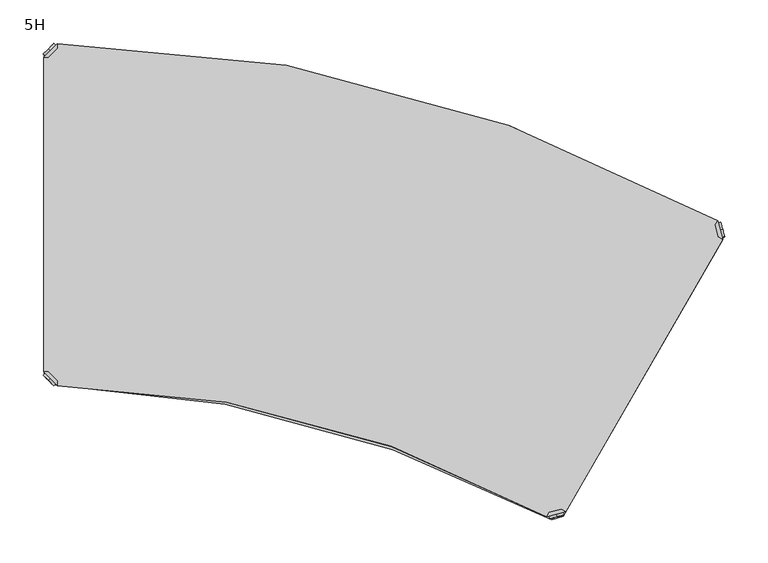
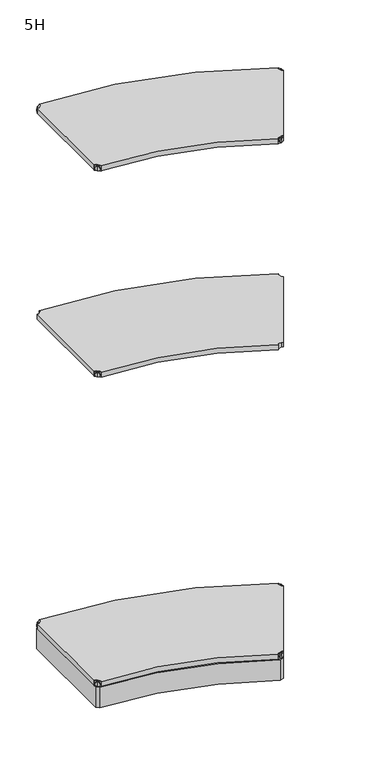
"""IFC4 building model written with IfcOpenShell, lengths in millimetres: furniture geometry, 5H."""

from ifc_helpers import new_model, si_unit, point, frame, frame_2d, origin, place, context, project, spatial, polyline, circle_curve, trimmed, segment, composite_curve, outline, extrude, source, transform, mapped, element, save
from ifc_brep_helpers import plane_surface, cylinder_surface, advanced_brep


def furniture_5h_4dead95a(model_context):
    return source(origin(), model_context, "Body", "SolidModel", [
        advanced_brep(
        [(10.9601551, -389.0398449, 1298.5), (10.9601551, -389.0398449, 1307.0), (10.9601551, -389.0398449, 1315.5), (8.8388348, -391.1611652, 1298.5), (8.8388348, -391.1611652, 1315.5), (8.8388348, -391.1611652, 1307.0)],
        [
            (0, 1),
            (1, 2),
            (2, 0, circle_curve(frame((10.9601551, -389.0398449, 1307.0), z_axis=(0.7071067811865509, 0.7071067811865441, 0.0), x_axis=(0.0, 0.0, 1.0)), 8.5)),
            (0, 2, circle_curve(frame((10.9601551, -389.0398449, 1307.0), z_axis=(0.7071067811865509, 0.7071067811865441, 0.0), x_axis=(0.0, 0.0, 1.0)), 8.5)),
            (3, 0),
            (2, 4),
            (4, 3, circle_curve(frame((8.8388348, -391.1611652, 1307.0), z_axis=(0.7071067811865509, 0.7071067811865441, 0.0), x_axis=(0.0, 0.0, 1.0)), 8.5)),
            (3, 4, circle_curve(frame((8.8388348, -391.1611652, 1307.0), z_axis=(0.7071067811865509, 0.7071067811865441, 0.0), x_axis=(0.0, 0.0, 1.0)), 8.5)),
            (5, 3),
            (4, 5),
        ],
        [
            plane_surface(frame((10.9601551, -389.0398449, 1307.0), z_axis=(0.7071067811865506, 0.7071067811865446, 0.0), x_axis=(0.0, 0.0, 1.0))),
            cylinder_surface(frame((8.8388348, -391.1611652, 1307.0), z_axis=(-0.7071067811865509, -0.7071067811865441, 0.0), x_axis=(0.0, 0.0, 1.0)), 8.5),
            plane_surface(frame((8.8388348, -391.1611652, 1307.0), z_axis=(-0.7071067811865506, -0.7071067811865446, 0.0), x_axis=(0.0, 0.0, 1.0))),
        ],
        [
            (0, [[1, 2, 3]]),
            (0, [[-2, -1, 4]]),
            (1, [[5, -3, 6, 7]]),
            (1, [[-6, -4, -5, 8]]),
            (2, [[9, -7, 10]]),
            (2, [[-10, -8, -9]]),
        ],
    ),
        advanced_brep(
        [(18.9203102, -397.0, 1317.0), (18.9203102, -391.3431458, 1317.0), (8.6568542, -381.0796898, 1317.0), (3.0, -381.0796898, 1317.0), (3.0, -381.0796898, 1298.0), (3.0, -381.0796898, 1297.0), (18.9203102, -397.0, 1297.0), (18.9203102, -397.0, 1298.0), (18.9203102, -391.3431458, 1298.0), (8.6568542, -381.0796898, 1298.0), (47.7297077, -368.1906025, 1298.0), (31.8093975, -352.2702923, 1298.0), (31.8093975, -352.2702923, 1297.0), (47.7297077, -368.1906025, 1297.0)],
        [
            (0, 1),
            (1, 2),
            (2, 3),
            (3, 0),
            (3, 4),
            (4, 5),
            (5, 6),
            (6, 7),
            (7, 0),
            (1, 8),
            (8, 9),
            (9, 2),
            (7, 8),
            (9, 4),
            (7, 10),
            (10, 11, circle_curve(frame((39.7695526, -360.2304474, 1298.0), z_axis=(0.0, 0.0, 1.0), x_axis=(1.0, 0.0, 0.0)), 11.2573593)),
            (11, 4),
            (5, 12),
            (12, 13, circle_curve(frame((39.7695526, -360.2304474, 1297.0), z_axis=(0.0, 0.0, -1.0), x_axis=(1.0, 0.0, 0.0)), 11.2573593)),
            (13, 6),
            (11, 12),
            (10, 13),
        ],
        [
            plane_surface(frame((-38.8756299, -339.2040599, 1317.0), z_axis=(0.0, 0.0, 1.0000000000000002), x_axis=(-0.7071067811865511, 0.707106781186544, 0.0))),
            plane_surface(frame((18.9203102, -397.0, 1317.0), z_axis=(-0.707106781186544, -0.7071067811865511, 0.0), x_axis=(0.0, 0.0, -1.0))),
            plane_surface(frame((8.6568542, -381.0796898, 1317.0), z_axis=(0.7071067811865527, 0.7071067811865424, 0.0), x_axis=(0.0, 0.0, -1.0))),
            plane_surface(frame((18.9203102, -391.3431458, 1317.0), z_axis=(1.0, 0.0, 0.0), x_axis=(0.0, 0.0, -1.0))),
            plane_surface(frame((3.0, -381.0796898, 1317.0), z_axis=(0.0, 1.0, 0.0), x_axis=(0.0, 0.0, -1.0))),
            plane_surface(frame((3.0, -381.0796898, 1298.0), z_axis=(0.0, 0.0, 1.0), x_axis=(-0.7071067811865439, 0.7071067811865511, 0.0))),
            plane_surface(frame((3.0, -381.0796898, 1297.0), z_axis=(0.0, 0.0, -1.0), x_axis=(0.7071067811865439, -0.7071067811865511, 0.0))),
            plane_surface(frame((3.0, -381.0796898, 1298.0), z_axis=(-0.7071067811865446, 0.7071067811865506, 0.0), x_axis=(0.0, 0.0, -1.0))),
            cylinder_surface(frame((39.7695526, -360.2304474, 1297.0), z_axis=(0.0, 0.0, 1.0), x_axis=(1.0, 0.0, 0.0)), 11.2573593),
            plane_surface(frame((47.7297077, -368.1906025, 1298.0), z_axis=(0.7071067811865435, -0.7071067811865517, 0.0), x_axis=(0.0, 0.0, -1.0))),
        ],
        [
            (0, [[1, 2, 3, 4]]),
            (1, [[5, 6, 7, 8, 9, -4]]),
            (2, [[10, 11, 12, -2]]),
            (3, [[-9, 13, -10, -1]]),
            (4, [[-12, 14, -5, -3]]),
            (5, [[-14, -11, -13, 15, 16, 17]]),
            (6, [[-7, 18, 19, 20]]),
            (7, [[21, -18, -6, -17]]),
            (8, [[22, -19, -21, -16]]),
            (9, [[-8, -20, -22, -15]]),
        ],
    ),
        extrude(outline(composite_curve([segment(polyline([(3.0, -381.0796898), (3.0, -18.9203102), (8.6568542, -18.9203102), (18.9203102, -8.6568542), (18.9203102, -3.1123896)]), True, "CONTINUOUS"), segment(trimmed(circle_curve(frame_2d((0.0, -1595.6333221)), 1592.6333221), [point((18.9203102, -3.1123896))], [point((779.8770965, -207.0107625))], False, "CARTESIAN"), True, "CONTINUOUS"), segment(polyline([(779.8770965, -207.0107625), (777.0494272, -211.9084292), (780.8066612, -225.9306171), (785.7022582, -228.7570914), (604.609961, -542.418151), (599.7022885, -539.584705), (585.6991478, -543.3368352), (582.8586275, -548.2567608)]), True, "CONTINUOUS"), segment(trimmed(circle_curve(frame_2d((0.0, -1595.6333221)), 1198.6333221), [point((582.8586275, -548.2567608))], [point((18.9203102, -397.1493369))], True, "CARTESIAN"), True, "CONTINUOUS"), segment(polyline([(18.9203102, -397.1493369), (18.9203102, -391.3431458), (8.6568542, -381.0796898), (3.0, -381.0796898)]), True, "CONTINUOUS")], self_intersect=False)), frame((0.0, 0.0, 1298.0), z_axis=(0.0, 0.0, 1.0), x_axis=(1.0, 0.0, 0.0)), (0.0, 0.0, 1.0), 19.0),
        advanced_brep(
        [(10.9601551, -10.9601551, 2098.5), (10.9601551, -10.9601551, 2115.5), (10.9601551, -10.9601551, 2107.0), (8.8388348, -8.8388348, 2098.5), (8.8388348, -8.8388348, 2115.5), (8.8388348, -8.8388348, 2107.0)],
        [
            (0, 1, circle_curve(frame((10.9601551, -10.9601551, 2107.0), z_axis=(0.7071067811865465, -0.7071067811865486, 0.0), x_axis=(0.0, 0.0, 1.0)), 8.5)),
            (1, 2),
            (2, 0),
            (1, 0, circle_curve(frame((10.9601551, -10.9601551, 2107.0), z_axis=(0.7071067811865465, -0.7071067811865486, 0.0), x_axis=(0.0, 0.0, 1.0)), 8.5)),
            (3, 4, circle_curve(frame((8.8388348, -8.8388348, 2107.0), z_axis=(0.7071067811865465, -0.7071067811865486, 0.0), x_axis=(0.0, 0.0, 1.0)), 8.5)),
            (4, 1),
            (0, 3),
            (4, 3, circle_curve(frame((8.8388348, -8.8388348, 2107.0), z_axis=(0.7071067811865465, -0.7071067811865486, 0.0), x_axis=(0.0, 0.0, 1.0)), 8.5)),
            (5, 4),
            (3, 5),
        ],
        [
            plane_surface(frame((10.9601551, -10.9601551, 2107.0), z_axis=(0.7071067811865461, -0.707106781186549, 0.0), x_axis=(0.0, 0.0, 1.0))),
            cylinder_surface(frame((8.8388348, -8.8388348, 2107.0), z_axis=(-0.7071067811865465, 0.7071067811865486, 0.0), x_axis=(0.0, 0.0, 1.0)), 8.5),
            plane_surface(frame((8.8388348, -8.8388348, 2107.0), z_axis=(-0.7071067811865461, 0.707106781186549, 0.0), x_axis=(0.0, 0.0, 1.0))),
        ],
        [
            (0, [[1, 2, 3]]),
            (0, [[4, -3, -2]]),
            (1, [[5, 6, -1, 7]]),
            (1, [[8, -7, -4, -6]]),
            (2, [[9, -5, 10]]),
            (2, [[-10, -8, -9]]),
        ],
    ),
        advanced_brep(
        [(18.9203102, -3.0, 2117.0), (3.0, -18.9203102, 2117.0), (8.6568542, -18.9203102, 2117.0), (18.9203102, -8.6568542, 2117.0), (18.9203102, -3.0, 2098.0), (18.9203102, -3.0, 2097.0), (3.0, -18.9203102, 2097.0), (3.0, -18.9203102, 2098.0), (8.6568542, -18.9203102, 2098.0), (18.9203102, -8.6568542, 2098.0), (31.8093975, -47.7297077, 2098.0), (47.7297077, -31.8093975, 2098.0), (47.7297077, -31.8093975, 2097.0), (31.8093975, -47.7297077, 2097.0)],
        [
            (0, 1),
            (1, 2),
            (2, 3),
            (3, 0),
            (0, 4),
            (4, 5),
            (5, 6),
            (6, 7),
            (7, 1),
            (2, 8),
            (8, 9),
            (9, 3),
            (9, 4),
            (7, 8),
            (7, 10),
            (10, 11, circle_curve(frame((39.7695526, -39.7695526, 2098.0), z_axis=(0.0, 0.0, 1.0), x_axis=(1.0, 0.0, 0.0)), 11.2573593)),
            (11, 4),
            (5, 12),
            (12, 13, circle_curve(frame((39.7695526, -39.7695526, 2097.0), z_axis=(0.0, 0.0, -1.0), x_axis=(1.0, 0.0, 0.0)), 11.2573593)),
            (13, 6),
            (13, 10),
            (12, 11),
        ],
        [
            plane_surface(frame((-38.8756299, -60.7959401, 2117.0), z_axis=(0.0, 0.0, 1.0), x_axis=(-0.7071067811865556, -0.7071067811865396, 0.0))),
            plane_surface(frame((18.9203102, -3.0, 2117.0), z_axis=(-0.7071067811865396, 0.7071067811865556, 0.0), x_axis=(0.0, 0.0, -1.0))),
            plane_surface(frame((8.6568542, -18.9203102, 2117.0), z_axis=(0.7071067811865482, -0.7071067811865468, 0.0), x_axis=(0.0, 0.0, -1.0))),
            plane_surface(frame((18.9203102, -8.6568542, 2117.0), z_axis=(1.0, 0.0, 0.0), x_axis=(0.0, 0.0, -1.0))),
            plane_surface(frame((3.0, -18.9203102, 2117.0), z_axis=(0.0, -1.0, 0.0), x_axis=(0.0, 0.0, -1.0))),
            plane_surface(frame((3.0, -18.9203102, 2098.0), z_axis=(0.0, 0.0, 1.0), x_axis=(-0.7071067811865483, -0.7071067811865467, 0.0))),
            plane_surface(frame((3.0, -18.9203102, 2097.0), z_axis=(0.0, 0.0, -1.0), x_axis=(0.7071067811865483, 0.7071067811865467, 0.0))),
            plane_surface(frame((3.0, -18.9203102, 2098.0), z_axis=(-0.707106781186549, -0.7071067811865461, 0.0), x_axis=(0.0, 0.0, -1.0))),
            cylinder_surface(frame((39.7695526, -39.7695526, 2097.0), z_axis=(0.0, 0.0, 1.0), x_axis=(1.0, 0.0, 0.0)), 11.2573593),
            plane_surface(frame((47.7297077, -31.8093975, 2098.0), z_axis=(0.7071067811865479, 0.7071067811865472, 0.0), x_axis=(0.0, 0.0, -1.0))),
        ],
        [
            (0, [[1, 2, 3, 4]]),
            (1, [[-1, 5, 6, 7, 8, 9]]),
            (2, [[-3, 10, 11, 12]]),
            (3, [[-4, -12, 13, -5]]),
            (4, [[-2, -9, 14, -10]]),
            (5, [[15, 16, 17, -13, -11, -14]]),
            (6, [[18, 19, 20, -7]]),
            (7, [[-15, -8, -20, 21]]),
            (8, [[-16, -21, -19, 22]]),
            (9, [[-17, -22, -18, -6]]),
        ],
    ),
        advanced_brep(
        [(782.7920217, -217.8852702, 2098.5), (782.7920217, -217.8852702, 2107.0), (782.7920217, -217.8852702, 2115.5), (785.6897991, -217.108813, 2098.5), (785.6897991, -217.108813, 2115.5), (785.6897991, -217.108813, 2107.0)],
        [
            (0, 1),
            (1, 2),
            (2, 0, circle_curve(frame((782.7920217, -217.8852702, 2107.0), z_axis=(-0.9659258262890685, -0.25881904510252, 0.0), x_axis=(0.0, 0.0, 1.0)), 8.5)),
            (0, 2, circle_curve(frame((782.7920217, -217.8852702, 2107.0), z_axis=(-0.9659258262890685, -0.25881904510252, 0.0), x_axis=(0.0, 0.0, 1.0)), 8.5)),
            (3, 0),
            (2, 4),
            (4, 3, circle_curve(frame((785.6897991, -217.108813, 2107.0), z_axis=(-0.9659258262890685, -0.25881904510252, 0.0), x_axis=(0.0, 0.0, 1.0)), 8.5)),
            (3, 4, circle_curve(frame((785.6897991, -217.108813, 2107.0), z_axis=(-0.9659258262890685, -0.25881904510252, 0.0), x_axis=(0.0, 0.0, 1.0)), 8.5)),
            (5, 3),
            (4, 5),
        ],
        [
            plane_surface(frame((782.7920217, -217.8852702, 2107.0), z_axis=(-0.9659258262890684, -0.25881904510252063, 0.0), x_axis=(0.0, 0.0, 1.0))),
            cylinder_surface(frame((785.6897991, -217.108813, 2107.0), z_axis=(0.9659258262890685, 0.25881904510252, 0.0), x_axis=(0.0, 0.0, 1.0)), 8.5),
            plane_surface(frame((785.6897991, -217.108813, 2107.0), z_axis=(0.9659258262890684, 0.25881904510252063, 0.0), x_axis=(0.0, 0.0, 1.0))),
        ],
        [
            (0, [[1, 2, 3]]),
            (0, [[-2, -1, 4]]),
            (1, [[5, -3, 6, 7]]),
            (1, [[-6, -4, -5, 8]]),
            (2, [[9, -7, 10]]),
            (2, [[-10, -8, -9]]),
        ],
    ),
        advanced_brep(
        [(779.8784027, -207.0114961, 2117.0), (777.0499756, -211.9104756, 2117.0), (780.8066612, -225.9306171, 2117.0), (785.7056407, -228.7590443, 2117.0), (785.7056407, -228.7590443, 2098.0), (785.7056407, -228.7590443, 2097.0), (779.8784027, -207.0114961, 2097.0), (779.8784027, -207.0114961, 2098.0), (777.0499756, -211.9104756, 2098.0), (780.8066612, -225.9306171, 2098.0), (740.5240338, -217.5564674, 2098.0), (746.3512718, -239.3040156, 2098.0), (746.3512718, -239.3040156, 2097.0), (740.5240338, -217.5564674, 2097.0)],
        [
            (0, 1),
            (1, 2),
            (2, 3),
            (3, 0),
            (3, 4),
            (4, 5),
            (5, 6),
            (6, 7),
            (7, 0),
            (1, 8),
            (8, 9),
            (9, 2),
            (7, 8),
            (9, 4),
            (7, 10),
            (10, 11, circle_curve(frame((743.4376528, -228.4302415, 2098.0), z_axis=(0.0, 0.0, 1.0), x_axis=(-0.8660254037844375, 0.5000000000000021, 0.0)), 11.2573593)),
            (11, 4),
            (5, 12),
            (12, 13, circle_curve(frame((743.4376528, -228.4302415, 2097.0), z_axis=(0.0, 0.0, -1.0), x_axis=(-0.8660254037844375, 0.5000000000000021, 0.0)), 11.2573593)),
            (13, 6),
            (11, 12),
            (10, 13),
        ],
        [
            plane_surface(frame((801.033185, -285.9622185, 2117.0), z_axis=(0.0, 0.0, 1.0), x_axis=(0.25881904510252957, -0.965925826289066, 0.0))),
            plane_surface(frame((779.8784027, -207.0114961, 2117.0), z_axis=(0.965925826289066, 0.25881904510252957, 0.0), x_axis=(0.0, 0.0, -1.0))),
            plane_surface(frame((780.8066612, -225.9306171, 2117.0), z_axis=(-0.9659258262890692, -0.2588190451025176, 0.0), x_axis=(0.0, 0.0, -1.0))),
            plane_surface(frame((777.0499756, -211.9104756, 2117.0), z_axis=(-0.866025403784462, 0.4999999999999597, 0.0), x_axis=(0.0, 0.0, -1.0))),
            plane_surface(frame((785.7056407, -228.7590443, 2117.0), z_axis=(-0.4999999999999963, -0.8660254037844408, 0.0), x_axis=(0.0, 0.0, -1.0))),
            plane_surface(frame((785.7056407, -228.7590443, 2098.0), z_axis=(0.0, 0.0, 1.0), x_axis=(0.2588190451025197, -0.9659258262890686, 0.0))),
            plane_surface(frame((785.7056407, -228.7590443, 2097.0), z_axis=(0.0, 0.0, -1.0), x_axis=(-0.2588190451025197, 0.9659258262890686, 0.0))),
            plane_surface(frame((785.7056407, -228.7590443, 2098.0), z_axis=(0.25881904510252063, -0.9659258262890684, 0.0), x_axis=(0.0, 0.0, -1.0))),
            cylinder_surface(frame((743.4376528, -228.4302415, 2097.0), z_axis=(0.0, 0.0, 1.0), x_axis=(-0.8660254037844375, 0.5000000000000021, 0.0)), 11.2573593),
            plane_surface(frame((740.5240338, -217.5564674, 2098.0), z_axis=(-0.2588190451025191, 0.9659258262890689, 0.0), x_axis=(0.0, 0.0, -1.0))),
        ],
        [
            (0, [[1, 2, 3, 4]]),
            (1, [[5, 6, 7, 8, 9, -4]]),
            (2, [[10, 11, 12, -2]]),
            (3, [[-9, 13, -10, -1]]),
            (4, [[-12, 14, -5, -3]]),
            (5, [[-14, -11, -13, 15, 16, 17]]),
            (6, [[-7, 18, 19, 20]]),
            (7, [[21, -18, -6, -17]]),
            (8, [[22, -19, -21, -16]]),
            (9, [[-8, -20, -22, -15]]),
        ],
    ),
        advanced_brep(
        [(593.7274939, -545.3267511, 2098.5), (593.7274939, -545.3267511, 2115.5), (593.7274939, -545.3267511, 2107.0), (594.503951, -548.2245285, 2098.5), (594.503951, -548.2245285, 2115.5), (594.503951, -548.2245285, 2107.0)],
        [
            (0, 1, circle_curve(frame((593.7274939, -545.3267511, 2107.0), z_axis=(-0.25881904510252524, 0.9659258262890672, 0.0), x_axis=(0.0, 0.0, 1.0)), 8.5)),
            (1, 2),
            (2, 0),
            (1, 0, circle_curve(frame((593.7274939, -545.3267511, 2107.0), z_axis=(-0.25881904510252524, 0.9659258262890672, 0.0), x_axis=(0.0, 0.0, 1.0)), 8.5)),
            (3, 4, circle_curve(frame((594.503951, -548.2245285, 2107.0), z_axis=(-0.25881904510252524, 0.9659258262890672, 0.0), x_axis=(0.0, 0.0, 1.0)), 8.5)),
            (4, 1),
            (0, 3),
            (4, 3, circle_curve(frame((594.503951, -548.2245285, 2107.0), z_axis=(-0.25881904510252524, 0.9659258262890672, 0.0), x_axis=(0.0, 0.0, 1.0)), 8.5)),
            (5, 4),
            (3, 5),
        ],
        [
            plane_surface(frame((593.7274939, -545.3267511, 2107.0), z_axis=(-0.2588190451025247, 0.9659258262890673, 0.0), x_axis=(0.0, 0.0, 1.0))),
            cylinder_surface(frame((594.503951, -548.2245285, 2107.0), z_axis=(0.25881904510252524, -0.9659258262890672, 0.0), x_axis=(0.0, 0.0, 1.0)), 8.5),
            plane_surface(frame((594.503951, -548.2245285, 2107.0), z_axis=(0.2588190451025247, -0.9659258262890673, 0.0), x_axis=(0.0, 0.0, 1.0))),
        ],
        [
            (0, [[1, 2, 3]]),
            (0, [[4, -3, -2]]),
            (1, [[5, 6, -1, 7]]),
            (1, [[8, -7, -4, -6]]),
            (2, [[9, -5, 10]]),
            (2, [[-10, -8, -9]]),
        ],
    ),
        advanced_brep(
        [(582.8537198, -548.2403701, 2117.0), (604.601268, -542.4131321, 2117.0), (599.7022885, -539.584705, 2117.0), (585.6821469, -543.3413906, 2117.0), (582.8537198, -548.2403701, 2098.0), (582.8537198, -548.2403701, 2097.0), (604.601268, -542.4131321, 2097.0), (604.601268, -542.4131321, 2098.0), (599.7022885, -539.584705, 2098.0), (585.6821469, -543.3413906, 2098.0), (594.0562966, -503.0587632, 2098.0), (572.3087484, -508.8860012, 2098.0), (572.3087484, -508.8860012, 2097.0), (594.0562966, -503.0587632, 2097.0)],
        [
            (0, 1),
            (1, 2),
            (2, 3),
            (3, 0),
            (0, 4),
            (4, 5),
            (5, 6),
            (6, 7),
            (7, 1),
            (2, 8),
            (8, 9),
            (9, 3),
            (9, 4),
            (7, 8),
            (7, 10),
            (10, 11, circle_curve(frame((583.1825225, -505.9723822, 2098.0), z_axis=(0.0, 0.0, 1.0), x_axis=(-0.8660254037844418, 0.49999999999999467, 0.0)), 11.2573593)),
            (11, 4),
            (5, 12),
            (12, 13, circle_curve(frame((583.1825225, -505.9723822, 2097.0), z_axis=(0.0, 0.0, -1.0), x_axis=(-0.8660254037844418, 0.49999999999999467, 0.0)), 11.2573593)),
            (13, 6),
            (13, 10),
            (12, 11),
        ],
        [
            plane_surface(frame((661.8044422, -527.0855877, 2117.0), z_axis=(0.0, 0.0, 1.0000000000000002), x_axis=(0.9659258262890698, 0.25881904510251574, 0.0))),
            plane_surface(frame((582.8537198, -548.2403701, 2117.0), z_axis=(0.25881904510251574, -0.9659258262890698, 0.0), x_axis=(0.0, 0.0, -1.0))),
            plane_surface(frame((599.7022885, -539.584705, 2117.0), z_axis=(-0.25881904510252757, 0.9659258262890665, 0.0), x_axis=(0.0, 0.0, -1.0))),
            plane_surface(frame((585.6821469, -543.3413906, 2117.0), z_axis=(-0.8660254037844173, 0.5000000000000371, 0.0), x_axis=(0.0, 0.0, -1.0))),
            plane_surface(frame((604.601268, -542.4131321, 2117.0), z_axis=(0.5000000000000004, 0.8660254037844385, 0.0), x_axis=(0.0, 0.0, -1.0))),
            plane_surface(frame((604.601268, -542.4131321, 2098.0), z_axis=(0.0, 0.0, 1.0), x_axis=(0.9659258262890671, 0.25881904510252546, 0.0))),
            plane_surface(frame((604.601268, -542.4131321, 2097.0), z_axis=(0.0, 0.0, -1.0), x_axis=(-0.9659258262890671, -0.25881904510252546, 0.0))),
            plane_surface(frame((604.601268, -542.4131321, 2098.0), z_axis=(0.9659258262890673, 0.2588190451025247, 0.0), x_axis=(0.0, 0.0, -1.0))),
            cylinder_surface(frame((583.1825225, -505.9723822, 2097.0), z_axis=(0.0, 0.0, 1.0), x_axis=(-0.8660254037844418, 0.49999999999999467, 0.0)), 11.2573593),
            plane_surface(frame((572.3087484, -508.8860012, 2098.0), z_axis=(-0.9659258262890669, -0.2588190451025262, 0.0), x_axis=(0.0, 0.0, -1.0))),
        ],
        [
            (0, [[1, 2, 3, 4]]),
            (1, [[-1, 5, 6, 7, 8, 9]]),
            (2, [[-3, 10, 11, 12]]),
            (3, [[-4, -12, 13, -5]]),
            (4, [[-2, -9, 14, -10]]),
            (5, [[15, 16, 17, -13, -11, -14]]),
            (6, [[18, 19, 20, -7]]),
            (7, [[-15, -8, -20, 21]]),
            (8, [[-16, -21, -19, 22]]),
            (9, [[-17, -22, -18, -6]]),
        ],
    ),
        advanced_brep(
        [(10.9601551, -389.0398449, 2098.5), (10.9601551, -389.0398449, 2107.0), (10.9601551, -389.0398449, 2115.5), (8.8388348, -391.1611652, 2098.5), (8.8388348, -391.1611652, 2115.5), (8.8388348, -391.1611652, 2107.0)],
        [
            (0, 1),
            (1, 2),
            (2, 0, circle_curve(frame((10.9601551, -389.0398449, 2107.0), z_axis=(0.7071067811865509, 0.7071067811865441, 0.0), x_axis=(0.0, 0.0, 1.0)), 8.5)),
            (0, 2, circle_curve(frame((10.9601551, -389.0398449, 2107.0), z_axis=(0.7071067811865509, 0.7071067811865441, 0.0), x_axis=(0.0, 0.0, 1.0)), 8.5)),
            (3, 0),
            (2, 4),
            (4, 3, circle_curve(frame((8.8388348, -391.1611652, 2107.0), z_axis=(0.7071067811865509, 0.7071067811865441, 0.0), x_axis=(0.0, 0.0, 1.0)), 8.5)),
            (3, 4, circle_curve(frame((8.8388348, -391.1611652, 2107.0), z_axis=(0.7071067811865509, 0.7071067811865441, 0.0), x_axis=(0.0, 0.0, 1.0)), 8.5)),
            (5, 3),
            (4, 5),
        ],
        [
            plane_surface(frame((10.9601551, -389.0398449, 2107.0), z_axis=(0.7071067811865506, 0.7071067811865446, 0.0), x_axis=(0.0, 0.0, 1.0))),
            cylinder_surface(frame((8.8388348, -391.1611652, 2107.0), z_axis=(-0.7071067811865509, -0.7071067811865441, 0.0), x_axis=(0.0, 0.0, 1.0)), 8.5),
            plane_surface(frame((8.8388348, -391.1611652, 2107.0), z_axis=(-0.7071067811865506, -0.7071067811865446, 0.0), x_axis=(0.0, 0.0, 1.0))),
        ],
        [
            (0, [[1, 2, 3]]),
            (0, [[-2, -1, 4]]),
            (1, [[5, -3, 6, 7]]),
            (1, [[-6, -4, -5, 8]]),
            (2, [[9, -7, 10]]),
            (2, [[-10, -8, -9]]),
        ],
    ),
        advanced_brep(
        [(18.9203102, -397.0, 2117.0), (18.9203102, -391.3431458, 2117.0), (8.6568542, -381.0796898, 2117.0), (3.0, -381.0796898, 2117.0), (3.0, -381.0796898, 2098.0), (3.0, -381.0796898, 2097.0), (18.9203102, -397.0, 2097.0), (18.9203102, -397.0, 2098.0), (18.9203102, -391.3431458, 2098.0), (8.6568542, -381.0796898, 2098.0), (47.7297077, -368.1906025, 2098.0), (31.8093975, -352.2702923, 2098.0), (31.8093975, -352.2702923, 2097.0), (47.7297077, -368.1906025, 2097.0)],
        [
            (0, 1),
            (1, 2),
            (2, 3),
            (3, 0),
            (3, 4),
            (4, 5),
            (5, 6),
            (6, 7),
            (7, 0),
            (1, 8),
            (8, 9),
            (9, 2),
            (7, 8),
            (9, 4),
            (7, 10),
            (10, 11, circle_curve(frame((39.7695526, -360.2304474, 2098.0), z_axis=(0.0, 0.0, 1.0), x_axis=(1.0, 0.0, 0.0)), 11.2573593)),
            (11, 4),
            (5, 12),
            (12, 13, circle_curve(frame((39.7695526, -360.2304474, 2097.0), z_axis=(0.0, 0.0, -1.0), x_axis=(1.0, 0.0, 0.0)), 11.2573593)),
            (13, 6),
            (11, 12),
            (10, 13),
        ],
        [
            plane_surface(frame((-38.8756299, -339.2040599, 2117.0), z_axis=(0.0, 0.0, 1.0000000000000002), x_axis=(-0.7071067811865511, 0.707106781186544, 0.0))),
            plane_surface(frame((18.9203102, -397.0, 2117.0), z_axis=(-0.707106781186544, -0.7071067811865511, 0.0), x_axis=(0.0, 0.0, -1.0))),
            plane_surface(frame((8.6568542, -381.0796898, 2117.0), z_axis=(0.7071067811865527, 0.7071067811865424, 0.0), x_axis=(0.0, 0.0, -1.0))),
            plane_surface(frame((18.9203102, -391.3431458, 2117.0), z_axis=(1.0, 0.0, 0.0), x_axis=(0.0, 0.0, -1.0))),
            plane_surface(frame((3.0, -381.0796898, 2117.0), z_axis=(0.0, 1.0, 0.0), x_axis=(0.0, 0.0, -1.0))),
            plane_surface(frame((3.0, -381.0796898, 2098.0), z_axis=(0.0, 0.0, 1.0), x_axis=(-0.7071067811865439, 0.7071067811865511, 0.0))),
            plane_surface(frame((3.0, -381.0796898, 2097.0), z_axis=(0.0, 0.0, -1.0), x_axis=(0.7071067811865439, -0.7071067811865511, 0.0))),
            plane_surface(frame((3.0, -381.0796898, 2098.0), z_axis=(-0.7071067811865446, 0.7071067811865506, 0.0), x_axis=(0.0, 0.0, -1.0))),
            cylinder_surface(frame((39.7695526, -360.2304474, 2097.0), z_axis=(0.0, 0.0, 1.0), x_axis=(1.0, 0.0, 0.0)), 11.2573593),
            plane_surface(frame((47.7297077, -368.1906025, 2098.0), z_axis=(0.7071067811865435, -0.7071067811865517, 0.0), x_axis=(0.0, 0.0, -1.0))),
        ],
        [
            (0, [[1, 2, 3, 4]]),
            (1, [[5, 6, 7, 8, 9, -4]]),
            (2, [[10, 11, 12, -2]]),
            (3, [[-9, 13, -10, -1]]),
            (4, [[-12, 14, -5, -3]]),
            (5, [[-14, -11, -13, 15, 16, 17]]),
            (6, [[-7, 18, 19, 20]]),
            (7, [[21, -18, -6, -17]]),
            (8, [[22, -19, -21, -16]]),
            (9, [[-8, -20, -22, -15]]),
        ],
    ),
        extrude(outline(composite_curve([segment(polyline([(3.0, -381.0796898), (3.0, -18.9203102), (8.6568542, -18.9203102), (18.9203102, -8.6568542), (18.9203102, -3.1123896)]), True, "CONTINUOUS"), segment(trimmed(circle_curve(frame_2d((0.0, -1595.6333221)), 1592.6333221), [point((18.9203102, -3.1123896))], [point((779.8770965, -207.0107625))], False, "CARTESIAN"), True, "CONTINUOUS"), segment(polyline([(779.8770965, -207.0107625), (777.0494272, -211.9084292), (780.8066612, -225.9306171), (785.7022582, -228.7570914), (604.609961, -542.418151), (599.7022885, -539.584705), (585.6991478, -543.3368352), (582.8586275, -548.2567608)]), True, "CONTINUOUS"), segment(trimmed(circle_curve(frame_2d((0.0, -1595.6333221)), 1198.6333221), [point((582.8586275, -548.2567608))], [point((18.9203102, -397.1493369))], True, "CARTESIAN"), True, "CONTINUOUS"), segment(polyline([(18.9203102, -397.1493369), (18.9203102, -391.3431458), (8.6568542, -381.0796898), (3.0, -381.0796898)]), True, "CONTINUOUS")], self_intersect=False)), frame((0.0, 0.0, 2098.0), z_axis=(0.0, 0.0, 1.0), x_axis=(1.0, 0.0, 0.0)), (0.0, 0.0, 1.0), 19.0),
        advanced_brep(
        [(10.9601551, -10.9601551, 98.5), (10.9601551, -10.9601551, 115.5), (10.9601551, -10.9601551, 107.0), (8.8388348, -8.8388348, 98.5), (8.8388348, -8.8388348, 115.5), (8.8388348, -8.8388348, 107.0)],
        [
            (0, 1, circle_curve(frame((10.9601551, -10.9601551, 107.0), z_axis=(0.7071067811865465, -0.7071067811865486, 0.0), x_axis=(0.0, 0.0, 1.0)), 8.5)),
            (1, 2),
            (2, 0),
            (1, 0, circle_curve(frame((10.9601551, -10.9601551, 107.0), z_axis=(0.7071067811865465, -0.7071067811865486, 0.0), x_axis=(0.0, 0.0, 1.0)), 8.5)),
            (3, 4, circle_curve(frame((8.8388348, -8.8388348, 107.0), z_axis=(0.7071067811865465, -0.7071067811865486, 0.0), x_axis=(0.0, 0.0, 1.0)), 8.5)),
            (4, 1),
            (0, 3),
            (4, 3, circle_curve(frame((8.8388348, -8.8388348, 107.0), z_axis=(0.7071067811865465, -0.7071067811865486, 0.0), x_axis=(0.0, 0.0, 1.0)), 8.5)),
            (5, 4),
            (3, 5),
        ],
        [
            plane_surface(frame((10.9601551, -10.9601551, 107.0), z_axis=(0.7071067811865461, -0.707106781186549, 0.0), x_axis=(0.0, 0.0, 1.0))),
            cylinder_surface(frame((8.8388348, -8.8388348, 107.0), z_axis=(-0.7071067811865465, 0.7071067811865486, 0.0), x_axis=(0.0, 0.0, 1.0)), 8.5),
            plane_surface(frame((8.8388348, -8.8388348, 107.0), z_axis=(-0.7071067811865461, 0.707106781186549, 0.0), x_axis=(0.0, 0.0, 1.0))),
        ],
        [
            (0, [[1, 2, 3]]),
            (0, [[4, -3, -2]]),
            (1, [[5, 6, -1, 7]]),
            (1, [[8, -7, -4, -6]]),
            (2, [[9, -5, 10]]),
            (2, [[-10, -8, -9]]),
        ],
    ),
        advanced_brep(
        [(18.9203102, -3.0, 117.0), (3.0, -18.9203102, 117.0), (8.6568542, -18.9203102, 117.0), (18.9203102, -8.6568542, 117.0), (18.9203102, -3.0, 98.0), (18.9203102, -3.0, 97.0), (3.0, -18.9203102, 97.0), (3.0, -18.9203102, 98.0), (8.6568542, -18.9203102, 98.0), (18.9203102, -8.6568542, 98.0), (31.8093975, -47.7297077, 98.0), (47.7297077, -31.8093975, 98.0), (47.7297077, -31.8093975, 97.0), (31.8093975, -47.7297077, 97.0)],
        [
            (0, 1),
            (1, 2),
            (2, 3),
            (3, 0),
            (0, 4),
            (4, 5),
            (5, 6),
            (6, 7),
            (7, 1),
            (2, 8),
            (8, 9),
            (9, 3),
            (9, 4),
            (7, 8),
            (7, 10),
            (10, 11, circle_curve(frame((39.7695526, -39.7695526, 98.0), z_axis=(0.0, 0.0, 1.0), x_axis=(1.0, 0.0, 0.0)), 11.2573593)),
            (11, 4),
            (5, 12),
            (12, 13, circle_curve(frame((39.7695526, -39.7695526, 97.0), z_axis=(0.0, 0.0, -1.0), x_axis=(1.0, 0.0, 0.0)), 11.2573593)),
            (13, 6),
            (13, 10),
            (12, 11),
        ],
        [
            plane_surface(frame((-38.8756299, -60.7959401, 117.0), z_axis=(0.0, 0.0, 1.0), x_axis=(-0.7071067811865556, -0.7071067811865396, 0.0))),
            plane_surface(frame((18.9203102, -3.0, 117.0), z_axis=(-0.7071067811865396, 0.7071067811865556, 0.0), x_axis=(0.0, 0.0, -1.0))),
            plane_surface(frame((8.6568542, -18.9203102, 117.0), z_axis=(0.7071067811865482, -0.7071067811865468, 0.0), x_axis=(0.0, 0.0, -1.0))),
            plane_surface(frame((18.9203102, -8.6568542, 117.0), z_axis=(1.0, 0.0, 0.0), x_axis=(0.0, 0.0, -1.0))),
            plane_surface(frame((3.0, -18.9203102, 117.0), z_axis=(0.0, -1.0, 0.0), x_axis=(0.0, 0.0, -1.0))),
            plane_surface(frame((3.0, -18.9203102, 98.0), z_axis=(0.0, 0.0, 1.0), x_axis=(-0.7071067811865483, -0.7071067811865467, 0.0))),
            plane_surface(frame((3.0, -18.9203102, 97.0), z_axis=(0.0, 0.0, -1.0), x_axis=(0.7071067811865483, 0.7071067811865467, 0.0))),
            plane_surface(frame((3.0, -18.9203102, 98.0), z_axis=(-0.707106781186549, -0.7071067811865461, 0.0), x_axis=(0.0, 0.0, -1.0))),
            cylinder_surface(frame((39.7695526, -39.7695526, 97.0), z_axis=(0.0, 0.0, 1.0), x_axis=(1.0, 0.0, 0.0)), 11.2573593),
            plane_surface(frame((47.7297077, -31.8093975, 98.0), z_axis=(0.7071067811865479, 0.7071067811865472, 0.0), x_axis=(0.0, 0.0, -1.0))),
        ],
        [
            (0, [[1, 2, 3, 4]]),
            (1, [[-1, 5, 6, 7, 8, 9]]),
            (2, [[-3, 10, 11, 12]]),
            (3, [[-4, -12, 13, -5]]),
            (4, [[-2, -9, 14, -10]]),
            (5, [[15, 16, 17, -13, -11, -14]]),
            (6, [[18, 19, 20, -7]]),
            (7, [[-15, -8, -20, 21]]),
            (8, [[-16, -21, -19, 22]]),
            (9, [[-17, -22, -18, -6]]),
        ],
    ),
        advanced_brep(
        [(782.7920217, -217.8852702, 98.5), (782.7920217, -217.8852702, 107.0), (782.7920217, -217.8852702, 115.5), (785.6897991, -217.108813, 98.5), (785.6897991, -217.108813, 115.5), (785.6897991, -217.108813, 107.0)],
        [
            (0, 1),
            (1, 2),
            (2, 0, circle_curve(frame((782.7920217, -217.8852702, 107.0), z_axis=(-0.9659258262890685, -0.25881904510252, 0.0), x_axis=(0.0, 0.0, 1.0)), 8.5)),
            (0, 2, circle_curve(frame((782.7920217, -217.8852702, 107.0), z_axis=(-0.9659258262890685, -0.25881904510252, 0.0), x_axis=(0.0, 0.0, 1.0)), 8.5)),
            (3, 0),
            (2, 4),
            (4, 3, circle_curve(frame((785.6897991, -217.108813, 107.0), z_axis=(-0.9659258262890685, -0.25881904510252, 0.0), x_axis=(0.0, 0.0, 1.0)), 8.5)),
            (3, 4, circle_curve(frame((785.6897991, -217.108813, 107.0), z_axis=(-0.9659258262890685, -0.25881904510252, 0.0), x_axis=(0.0, 0.0, 1.0)), 8.5)),
            (5, 3),
            (4, 5),
        ],
        [
            plane_surface(frame((782.7920217, -217.8852702, 107.0), z_axis=(-0.9659258262890684, -0.25881904510252063, 0.0), x_axis=(0.0, 0.0, 1.0))),
            cylinder_surface(frame((785.6897991, -217.108813, 107.0), z_axis=(0.9659258262890685, 0.25881904510252, 0.0), x_axis=(0.0, 0.0, 1.0)), 8.5),
            plane_surface(frame((785.6897991, -217.108813, 107.0), z_axis=(0.9659258262890684, 0.25881904510252063, 0.0), x_axis=(0.0, 0.0, 1.0))),
        ],
        [
            (0, [[1, 2, 3]]),
            (0, [[-2, -1, 4]]),
            (1, [[5, -3, 6, 7]]),
            (1, [[-6, -4, -5, 8]]),
            (2, [[9, -7, 10]]),
            (2, [[-10, -8, -9]]),
        ],
    ),
        advanced_brep(
        [(779.8784027, -207.0114961, 117.0), (777.0499756, -211.9104756, 117.0), (780.8066612, -225.9306171, 117.0), (785.7056407, -228.7590443, 117.0), (785.7056407, -228.7590443, 98.0), (785.7056407, -228.7590443, 97.0), (779.8784027, -207.0114961, 97.0), (779.8784027, -207.0114961, 98.0), (777.0499756, -211.9104756, 98.0), (780.8066612, -225.9306171, 98.0), (740.5240338, -217.5564674, 98.0), (746.3512718, -239.3040156, 98.0), (746.3512718, -239.3040156, 97.0), (740.5240338, -217.5564674, 97.0)],
        [
            (0, 1),
            (1, 2),
            (2, 3),
            (3, 0),
            (3, 4),
            (4, 5),
            (5, 6),
            (6, 7),
            (7, 0),
            (1, 8),
            (8, 9),
            (9, 2),
            (7, 8),
            (9, 4),
            (7, 10),
            (10, 11, circle_curve(frame((743.4376528, -228.4302415, 98.0), z_axis=(0.0, 0.0, 1.0), x_axis=(-0.8660254037844375, 0.5000000000000021, 0.0)), 11.2573593)),
            (11, 4),
            (5, 12),
            (12, 13, circle_curve(frame((743.4376528, -228.4302415, 97.0), z_axis=(0.0, 0.0, -1.0), x_axis=(-0.8660254037844375, 0.5000000000000021, 0.0)), 11.2573593)),
            (13, 6),
            (11, 12),
            (10, 13),
        ],
        [
            plane_surface(frame((801.033185, -285.9622185, 117.0), z_axis=(0.0, 0.0, 1.0), x_axis=(0.25881904510252957, -0.965925826289066, 0.0))),
            plane_surface(frame((779.8784027, -207.0114961, 117.0), z_axis=(0.965925826289066, 0.25881904510252957, 0.0), x_axis=(0.0, 0.0, -1.0))),
            plane_surface(frame((780.8066612, -225.9306171, 117.0), z_axis=(-0.9659258262890692, -0.2588190451025176, 0.0), x_axis=(0.0, 0.0, -1.0))),
            plane_surface(frame((777.0499756, -211.9104756, 117.0), z_axis=(-0.866025403784462, 0.4999999999999597, 0.0), x_axis=(0.0, 0.0, -1.0))),
            plane_surface(frame((785.7056407, -228.7590443, 117.0), z_axis=(-0.4999999999999963, -0.8660254037844408, 0.0), x_axis=(0.0, 0.0, -1.0))),
            plane_surface(frame((785.7056407, -228.7590443, 98.0), z_axis=(0.0, 0.0, 1.0), x_axis=(0.2588190451025197, -0.9659258262890686, 0.0))),
            plane_surface(frame((785.7056407, -228.7590443, 97.0), z_axis=(0.0, 0.0, -1.0), x_axis=(-0.2588190451025197, 0.9659258262890686, 0.0))),
            plane_surface(frame((785.7056407, -228.7590443, 98.0), z_axis=(0.25881904510252063, -0.9659258262890684, 0.0), x_axis=(0.0, 0.0, -1.0))),
            cylinder_surface(frame((743.4376528, -228.4302415, 97.0), z_axis=(0.0, 0.0, 1.0), x_axis=(-0.8660254037844375, 0.5000000000000021, 0.0)), 11.2573593),
            plane_surface(frame((740.5240338, -217.5564674, 98.0), z_axis=(-0.2588190451025191, 0.9659258262890689, 0.0), x_axis=(0.0, 0.0, -1.0))),
        ],
        [
            (0, [[1, 2, 3, 4]]),
            (1, [[5, 6, 7, 8, 9, -4]]),
            (2, [[10, 11, 12, -2]]),
            (3, [[-9, 13, -10, -1]]),
            (4, [[-12, 14, -5, -3]]),
            (5, [[-14, -11, -13, 15, 16, 17]]),
            (6, [[-7, 18, 19, 20]]),
            (7, [[21, -18, -6, -17]]),
            (8, [[22, -19, -21, -16]]),
            (9, [[-8, -20, -22, -15]]),
        ],
    ),
        advanced_brep(
        [(593.7274939, -545.3267511, 98.5), (593.7274939, -545.3267511, 115.5), (593.7274939, -545.3267511, 107.0), (594.503951, -548.2245285, 98.5), (594.503951, -548.2245285, 115.5), (594.503951, -548.2245285, 107.0)],
        [
            (0, 1, circle_curve(frame((593.7274939, -545.3267511, 107.0), z_axis=(-0.25881904510252524, 0.9659258262890672, 0.0), x_axis=(0.0, 0.0, 1.0)), 8.5)),
            (1, 2),
            (2, 0),
            (1, 0, circle_curve(frame((593.7274939, -545.3267511, 107.0), z_axis=(-0.25881904510252524, 0.9659258262890672, 0.0), x_axis=(0.0, 0.0, 1.0)), 8.5)),
            (3, 4, circle_curve(frame((594.503951, -548.2245285, 107.0), z_axis=(-0.25881904510252524, 0.9659258262890672, 0.0), x_axis=(0.0, 0.0, 1.0)), 8.5)),
            (4, 1),
            (0, 3),
            (4, 3, circle_curve(frame((594.503951, -548.2245285, 107.0), z_axis=(-0.25881904510252524, 0.9659258262890672, 0.0), x_axis=(0.0, 0.0, 1.0)), 8.5)),
            (5, 4),
            (3, 5),
        ],
        [
            plane_surface(frame((593.7274939, -545.3267511, 107.0), z_axis=(-0.2588190451025247, 0.9659258262890673, 0.0), x_axis=(0.0, 0.0, 1.0))),
            cylinder_surface(frame((594.503951, -548.2245285, 107.0), z_axis=(0.25881904510252524, -0.9659258262890672, 0.0), x_axis=(0.0, 0.0, 1.0)), 8.5),
            plane_surface(frame((594.503951, -548.2245285, 107.0), z_axis=(0.2588190451025247, -0.9659258262890673, 0.0), x_axis=(0.0, 0.0, 1.0))),
        ],
        [
            (0, [[1, 2, 3]]),
            (0, [[4, -3, -2]]),
            (1, [[5, 6, -1, 7]]),
            (1, [[8, -7, -4, -6]]),
            (2, [[9, -5, 10]]),
            (2, [[-10, -8, -9]]),
        ],
    ),
        advanced_brep(
        [(582.8537198, -548.2403701, 117.0), (604.601268, -542.4131321, 117.0), (599.7022885, -539.584705, 117.0), (585.6821469, -543.3413906, 117.0), (582.8537198, -548.2403701, 98.0), (582.8537198, -548.2403701, 97.0), (604.601268, -542.4131321, 97.0), (604.601268, -542.4131321, 98.0), (599.7022885, -539.584705, 98.0), (585.6821469, -543.3413906, 98.0), (594.0562966, -503.0587632, 98.0), (572.3087484, -508.8860012, 98.0), (572.3087484, -508.8860012, 97.0), (594.0562966, -503.0587632, 97.0)],
        [
            (0, 1),
            (1, 2),
            (2, 3),
            (3, 0),
            (0, 4),
            (4, 5),
            (5, 6),
            (6, 7),
            (7, 1),
            (2, 8),
            (8, 9),
            (9, 3),
            (9, 4),
            (7, 8),
            (7, 10),
            (10, 11, circle_curve(frame((583.1825225, -505.9723822, 98.0), z_axis=(0.0, 0.0, 1.0), x_axis=(-0.8660254037844418, 0.49999999999999467, 0.0)), 11.2573593)),
            (11, 4),
            (5, 12),
            (12, 13, circle_curve(frame((583.1825225, -505.9723822, 97.0), z_axis=(0.0, 0.0, -1.0), x_axis=(-0.8660254037844418, 0.49999999999999467, 0.0)), 11.2573593)),
            (13, 6),
            (13, 10),
            (12, 11),
        ],
        [
            plane_surface(frame((661.8044422, -527.0855877, 117.0), z_axis=(0.0, 0.0, 1.0000000000000002), x_axis=(0.9659258262890698, 0.25881904510251574, 0.0))),
            plane_surface(frame((582.8537198, -548.2403701, 117.0), z_axis=(0.25881904510251574, -0.9659258262890698, 0.0), x_axis=(0.0, 0.0, -1.0))),
            plane_surface(frame((599.7022885, -539.584705, 117.0), z_axis=(-0.25881904510252757, 0.9659258262890665, 0.0), x_axis=(0.0, 0.0, -1.0))),
            plane_surface(frame((585.6821469, -543.3413906, 117.0), z_axis=(-0.8660254037844173, 0.5000000000000371, 0.0), x_axis=(0.0, 0.0, -1.0))),
            plane_surface(frame((604.601268, -542.4131321, 117.0), z_axis=(0.5000000000000004, 0.8660254037844385, 0.0), x_axis=(0.0, 0.0, -1.0))),
            plane_surface(frame((604.601268, -542.4131321, 98.0), z_axis=(0.0, 0.0, 1.0), x_axis=(0.9659258262890671, 0.25881904510252546, 0.0))),
            plane_surface(frame((604.601268, -542.4131321, 97.0), z_axis=(0.0, 0.0, -1.0), x_axis=(-0.9659258262890671, -0.25881904510252546, 0.0))),
            plane_surface(frame((604.601268, -542.4131321, 98.0), z_axis=(0.9659258262890673, 0.2588190451025247, 0.0), x_axis=(0.0, 0.0, -1.0))),
            cylinder_surface(frame((583.1825225, -505.9723822, 97.0), z_axis=(0.0, 0.0, 1.0), x_axis=(-0.8660254037844418, 0.49999999999999467, 0.0)), 11.2573593),
            plane_surface(frame((572.3087484, -508.8860012, 98.0), z_axis=(-0.9659258262890669, -0.2588190451025262, 0.0), x_axis=(0.0, 0.0, -1.0))),
        ],
        [
            (0, [[1, 2, 3, 4]]),
            (1, [[-1, 5, 6, 7, 8, 9]]),
            (2, [[-3, 10, 11, 12]]),
            (3, [[-4, -12, 13, -5]]),
            (4, [[-2, -9, 14, -10]]),
            (5, [[15, 16, 17, -13, -11, -14]]),
            (6, [[18, 19, 20, -7]]),
            (7, [[-15, -8, -20, 21]]),
            (8, [[-16, -21, -19, 22]]),
            (9, [[-17, -22, -18, -6]]),
        ],
    ),
        advanced_brep(
        [(10.9601551, -389.0398449, 98.5), (10.9601551, -389.0398449, 107.0), (10.9601551, -389.0398449, 115.5), (8.8388348, -391.1611652, 98.5), (8.8388348, -391.1611652, 115.5), (8.8388348, -391.1611652, 107.0)],
        [
            (0, 1),
            (1, 2),
            (2, 0, circle_curve(frame((10.9601551, -389.0398449, 107.0), z_axis=(0.7071067811865509, 0.7071067811865441, 0.0), x_axis=(0.0, 0.0, 1.0)), 8.5)),
            (0, 2, circle_curve(frame((10.9601551, -389.0398449, 107.0), z_axis=(0.7071067811865509, 0.7071067811865441, 0.0), x_axis=(0.0, 0.0, 1.0)), 8.5)),
            (3, 0),
            (2, 4),
            (4, 3, circle_curve(frame((8.8388348, -391.1611652, 107.0), z_axis=(0.7071067811865509, 0.7071067811865441, 0.0), x_axis=(0.0, 0.0, 1.0)), 8.5)),
            (3, 4, circle_curve(frame((8.8388348, -391.1611652, 107.0), z_axis=(0.7071067811865509, 0.7071067811865441, 0.0), x_axis=(0.0, 0.0, 1.0)), 8.5)),
            (5, 3),
            (4, 5),
        ],
        [
            plane_surface(frame((10.9601551, -389.0398449, 107.0), z_axis=(0.7071067811865506, 0.7071067811865446, 0.0), x_axis=(0.0, 0.0, 1.0))),
            cylinder_surface(frame((8.8388348, -391.1611652, 107.0), z_axis=(-0.7071067811865509, -0.7071067811865441, 0.0), x_axis=(0.0, 0.0, 1.0)), 8.5),
            plane_surface(frame((8.8388348, -391.1611652, 107.0), z_axis=(-0.7071067811865506, -0.7071067811865446, 0.0), x_axis=(0.0, 0.0, 1.0))),
        ],
        [
            (0, [[1, 2, 3]]),
            (0, [[-2, -1, 4]]),
            (1, [[5, -3, 6, 7]]),
            (1, [[-6, -4, -5, 8]]),
            (2, [[9, -7, 10]]),
            (2, [[-10, -8, -9]]),
        ],
    ),
        advanced_brep(
        [(18.9203102, -397.0, 117.0), (18.9203102, -391.3431458, 117.0), (8.6568542, -381.0796898, 117.0), (3.0, -381.0796898, 117.0), (3.0, -381.0796898, 98.0), (3.0, -381.0796898, 97.0), (18.9203102, -397.0, 97.0), (18.9203102, -397.0, 98.0), (18.9203102, -391.3431458, 98.0), (8.6568542, -381.0796898, 98.0), (47.7297077, -368.1906025, 98.0), (31.8093975, -352.2702923, 98.0), (31.8093975, -352.2702923, 97.0), (47.7297077, -368.1906025, 97.0)],
        [
            (0, 1),
            (1, 2),
            (2, 3),
            (3, 0),
            (3, 4),
            (4, 5),
            (5, 6),
            (6, 7),
            (7, 0),
            (1, 8),
            (8, 9),
            (9, 2),
            (7, 8),
            (9, 4),
            (7, 10),
            (10, 11, circle_curve(frame((39.7695526, -360.2304474, 98.0), z_axis=(0.0, 0.0, 1.0), x_axis=(1.0, 0.0, 0.0)), 11.2573593)),
            (11, 4),
            (5, 12),
            (12, 13, circle_curve(frame((39.7695526, -360.2304474, 97.0), z_axis=(0.0, 0.0, -1.0), x_axis=(1.0, 0.0, 0.0)), 11.2573593)),
            (13, 6),
            (11, 12),
            (10, 13),
        ],
        [
            plane_surface(frame((-38.8756299, -339.2040599, 117.0), z_axis=(0.0, 0.0, 1.0000000000000002), x_axis=(-0.7071067811865511, 0.707106781186544, 0.0))),
            plane_surface(frame((18.9203102, -397.0, 117.0), z_axis=(-0.707106781186544, -0.7071067811865511, 0.0), x_axis=(0.0, 0.0, -1.0))),
            plane_surface(frame((8.6568542, -381.0796898, 117.0), z_axis=(0.7071067811865527, 0.7071067811865424, 0.0), x_axis=(0.0, 0.0, -1.0))),
            plane_surface(frame((18.9203102, -391.3431458, 117.0), z_axis=(1.0, 0.0, 0.0), x_axis=(0.0, 0.0, -1.0))),
            plane_surface(frame((3.0, -381.0796898, 117.0), z_axis=(0.0, 1.0, 0.0), x_axis=(0.0, 0.0, -1.0))),
            plane_surface(frame((3.0, -381.0796898, 98.0), z_axis=(0.0, 0.0, 1.0), x_axis=(-0.7071067811865439, 0.7071067811865511, 0.0))),
            plane_surface(frame((3.0, -381.0796898, 97.0), z_axis=(0.0, 0.0, -1.0), x_axis=(0.7071067811865439, -0.7071067811865511, 0.0))),
            plane_surface(frame((3.0, -381.0796898, 98.0), z_axis=(-0.7071067811865446, 0.7071067811865506, 0.0), x_axis=(0.0, 0.0, -1.0))),
            cylinder_surface(frame((39.7695526, -360.2304474, 97.0), z_axis=(0.0, 0.0, 1.0), x_axis=(1.0, 0.0, 0.0)), 11.2573593),
            plane_surface(frame((47.7297077, -368.1906025, 98.0), z_axis=(0.7071067811865435, -0.7071067811865517, 0.0), x_axis=(0.0, 0.0, -1.0))),
        ],
        [
            (0, [[1, 2, 3, 4]]),
            (1, [[5, 6, 7, 8, 9, -4]]),
            (2, [[10, 11, 12, -2]]),
            (3, [[-9, 13, -10, -1]]),
            (4, [[-12, 14, -5, -3]]),
            (5, [[-14, -11, -13, 15, 16, 17]]),
            (6, [[-7, 18, 19, 20]]),
            (7, [[21, -18, -6, -17]]),
            (8, [[22, -19, -21, -16]]),
            (9, [[-8, -20, -22, -15]]),
        ],
    ),
        extrude(outline(composite_curve([segment(polyline([(3.0, -381.0796898), (3.0, -18.9203102), (8.6568542, -18.9203102), (18.9203102, -8.6568542), (18.9203102, -3.1123896)]), True, "CONTINUOUS"), segment(trimmed(circle_curve(frame_2d((0.0, -1595.6333221)), 1592.6333221), [point((18.9203102, -3.1123896))], [point((779.8770965, -207.0107625))], False, "CARTESIAN"), True, "CONTINUOUS"), segment(polyline([(779.8770965, -207.0107625), (777.0494272, -211.9084292), (780.8066612, -225.9306171), (785.7022582, -228.7570914), (604.609961, -542.418151), (599.7022885, -539.584705), (585.6991478, -543.3368352), (582.8586275, -548.2567608)]), True, "CONTINUOUS"), segment(trimmed(circle_curve(frame_2d((0.0, -1595.6333221)), 1198.6333221), [point((582.8586275, -548.2567608))], [point((18.9203102, -397.1493369))], True, "CARTESIAN"), True, "CONTINUOUS"), segment(polyline([(18.9203102, -397.1493369), (18.9203102, -391.3431458), (8.6568542, -381.0796898), (3.0, -381.0796898)]), True, "CONTINUOUS")], self_intersect=False)), frame((0.0, 0.0, 98.0), z_axis=(0.0, 0.0, 1.0), x_axis=(1.0, 0.0, 0.0)), (0.0, 0.0, 1.0), 19.0),
        extrude(outline(composite_curve([segment(polyline([(4.0, -13.6776695), (13.6776695, -4.0)]), True, "CONTINUOUS"), segment(trimmed(circle_curve(frame_2d((13.6335554, -1537.6291523)), 1533.6291529), [point((13.6776695, -4.0))], [point((783.5775983, -211.2790667))], False, "CARTESIAN"), True, "CONTINUOUS"), segment(polyline([(783.5775983, -211.2790667), (787.1538374, -224.4898611), (601.6615759, -547.6874234), (588.4507815, -551.2636625)]), True, "CONTINUOUS"), segment(trimmed(circle_curve(frame_2d((-36.3064403, -1722.549861)), 1327.4912222), [point((588.4507815, -551.2636625))], [point((13.6776695, -396.0))], True, "CARTESIAN"), True, "CONTINUOUS"), segment(polyline([(13.6776695, -396.0), (4.0, -386.3223305), (4.0, -13.6776695)]), True, "CONTINUOUS")], self_intersect=False)), frame((0.0, 0.0, 16.0), z_axis=(0.0, 0.0, 1.0), x_axis=(1.0, 0.0, 0.0)), (0.0, 0.0, 1.0), 80.0),
    ])


if __name__ == "__main__":
    model = new_model("IFC4")
    model_context = context("Model", 3, world=origin())
    ifc_project = project(units=[si_unit("LENGTHUNIT", "METRE", prefix="MILLI")], contexts=[model_context])
    site = spatial("IfcSite", under=ifc_project)
    building = spatial("IfcBuilding", under=site)
    placement = place(None, origin())
    furniture_5h_shape = furniture_5h_4dead95a(model_context)
    element("IfcFurniture", 1, ObjectType="5H", at=placement, inside=building, context=model_context, shape_type="MappedRepresentation", body=[
        mapped(furniture_5h_shape, transform((0.0, 0.0, 0.0), x_axis=(1.0, 0.0, 0.0), y_axis=(0.0, 1.0, 0.0), z_axis=(0.0, 0.0, 1.0))),
    ])
    save(model, "model.ifc")
